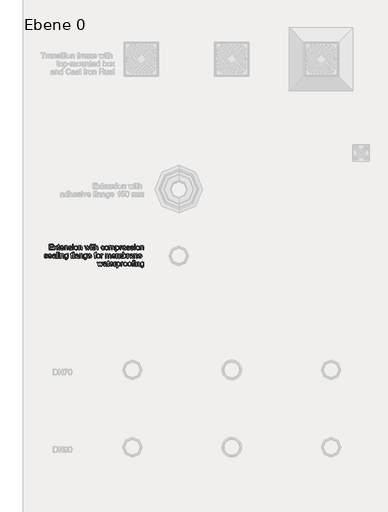
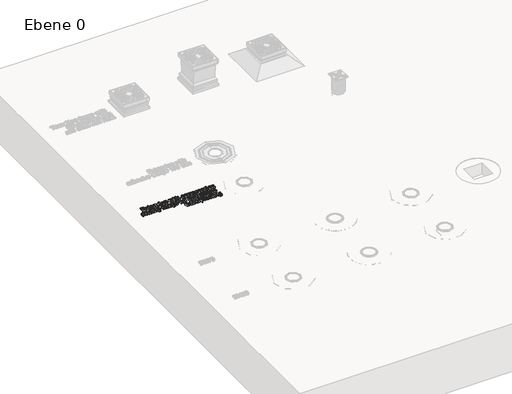
# One storey, part 6 of 12: 1 proxy.
"""IFC4 building model written with IfcOpenShell, lengths in millimetres."""

from ifc_helpers import new_model, si_unit, origin, origin_with_axes, place, context, project, spatial, polyline, outline, extrude, element, save

model = new_model("IFC4")

# Units and contexts
model_context = context("Model", 3, world=origin())
ifc_project = project(units=[si_unit("LENGTHUNIT", "METRE", prefix="MILLI")], contexts=[model_context])

# Site, building, storey
site = spatial("IfcSite", under=ifc_project)
building = spatial("IfcBuilding", under=site)
storey = spatial("IfcBuildingStorey", under=building, Name="Ebene 0", Elevation=0.0)

# Proxy
placement = place(None, origin())
element("IfcBuildingElementProxy", 1, Name="100mm ACO", ObjectType="100mm ACO", at=placement, inside=storey, context=model_context, shape_type="SweptSolid", body=[
    extrude(outline(polyline([(-29235.7557678, 20346.4491372), (-29273.0092809, 20346.4491372), (-29273.0092809, 20396.7413799), (-29236.6871056, 20396.7413799), (-29236.6871056, 20391.1533529), (-29266.4899161, 20391.1533529), (-29266.4899161, 20375.3206098), (-29238.5497813, 20375.3206098), (-29238.5497813, 20369.7325829), (-29266.4899161, 20369.7325829), (-29266.4899161, 20352.0371642), (-29235.7557678, 20352.0371642), (-29235.7557678, 20346.4491372)])), origin_with_axes(), (0.0, 0.0, 1.0), 20.0),
    extrude(outline(polyline([(-29197.5709169, 20346.4491372), (-29204.1484903, 20346.4491372), (-29214.34955, 20360.6520391), (-29224.492401, 20346.4491372), (-29231.0990787, 20346.4491372), (-29217.6528888, 20365.2650717), (-29230.1677409, 20382.7713125), (-29223.6047196, 20382.7713125), (-29214.34955, 20369.8635523), (-29205.1234846, 20382.7713125), (-29198.5022547, 20382.7713125), (-29211.0462111, 20365.2505196), (-29197.5709169, 20346.4491372)])), origin_with_axes(), (0.0, 0.0, 1.0), 20.0),
    extrude(outline(polyline([(-29178.9441604, 20345.9398118), (-29183.5135366, 20345.5177994), (-29189.3416741, 20346.9657387), (-29191.5754297, 20350.6401574), (-29191.98289, 20356.8393748), (-29191.98289, 20378.1146233), (-29196.6395791, 20378.1146233), (-29196.6395791, 20382.7713125), (-29191.98289, 20382.7713125), (-29191.98289, 20391.9973778), (-29185.4635252, 20395.810042), (-29185.4635252, 20382.7713125), (-29179.8754982, 20382.7713125), (-29179.8754982, 20378.1146233), (-29185.4635252, 20378.1146233), (-29185.4635252, 20355.529681), (-29184.9396476, 20351.3968694), (-29182.2766035, 20350.1744885), (-29179.7445288, 20350.1744885), (-29178.9441604, 20345.9398118)])), origin_with_axes(), (0.0, 0.0, 1.0), 20.0),
    extrude(outline(polyline([(-29141.6906473, 20363.2132181), (-29168.6994443, 20363.2132181), (-29165.2869643, 20353.5214838), (-29157.7125683, 20350.1744885), (-29151.8407744, 20352.0298881), (-29148.2100121, 20357.6251911), (-29141.6906473, 20356.8684791), (-29147.3805393, 20348.4573344), (-29157.7125683, 20345.5177994), (-29170.5839482, 20350.5601206), (-29175.2188091, 20364.3337339), (-29170.7512979, 20378.3329056), (-29165.3706392, 20382.3602141), (-29158.1636851, 20383.7026503), (-29150.5092523, 20381.9636679), (-29144.2591024, 20376.0409414), (-29141.6906473, 20363.2132181)]), holes=[polyline([(-29148.2100121, 20367.8699072), (-29151.6443203, 20376.4265735), (-29158.3237588, 20379.0459611), (-29165.454314, 20375.9318003), (-29168.6994443, 20367.8699072), (-29148.2100121, 20367.8699072)])]), origin_with_axes(), (0.0, 0.0, 1.0), 20.0),
    extrude(outline(polyline([(-29104.4371342, 20346.4491372), (-29110.956499, 20346.4491372), (-29110.956499, 20369.0631838), (-29112.8992115, 20376.9067946), (-29118.3053365, 20379.0459611), (-29123.3476577, 20377.6780587), (-29126.7237574, 20373.821738), (-29127.7205799, 20366.7784957), (-29127.7205799, 20346.4491372), (-29134.2399447, 20346.4491372), (-29134.2399447, 20382.7713125), (-29128.6519177, 20382.7713125), (-29128.6519177, 20377.7217152), (-29123.6750812, 20382.2110545), (-29117.0101949, 20383.7026503), (-29111.2911985, 20382.6694474), (-29106.8673439, 20379.5771148), (-29104.8518706, 20375.1823644), (-29104.4371342, 20368.8740058), (-29104.4371342, 20346.4491372)])), origin_with_axes(), (0.0, 0.0, 1.0), 20.0),
    extrude(outline(polyline([(-29074.6343237, 20372.5265964), (-29077.0427052, 20377.4161199), (-29082.6089039, 20379.0459611), (-29088.2987959, 20377.6489544), (-29090.4670668, 20373.5889036), (-29089.0336797, 20369.9945216), (-29082.2742044, 20368.0445331), (-29073.3610103, 20365.949023), (-29068.8134623, 20362.7693774), (-29067.1836211, 20357.0722093), (-29071.2291198, 20348.8575186), (-29082.0413699, 20345.5177994), (-29093.0500741, 20348.326365), (-29097.9177694, 20356.7375098), (-29091.3984046, 20357.6251911), (-29088.5825629, 20352.0298881), (-29082.0413699, 20350.1744885), (-29075.8567046, 20352.1026489), (-29073.7029859, 20356.7957184), (-29074.6707041, 20359.8007381), (-29077.0863616, 20361.496064), (-29083.9185977, 20362.9512793), (-29094.4470808, 20366.8803608), (-29096.9864316, 20373.2105476), (-29093.2246999, 20380.741287), (-29083.1036771, 20383.7026503), (-29072.6042983, 20381.112367), (-29068.114959, 20373.3560691), (-29074.6343237, 20372.5265964)])), origin_with_axes(), (0.0, 0.0, 1.0), 20.0),
    extrude(outline(polyline([(-29054.1448916, 20390.2220151), (-29060.6642563, 20390.2220151), (-29060.6642563, 20396.7413799), (-29054.1448916, 20396.7413799), (-29054.1448916, 20390.2220151)])), origin_with_axes(), (0.0, 0.0, 1.0), 20.0),
    extrude(outline(polyline([(-29054.1448916, 20346.4491372), (-29060.6642563, 20346.4491372), (-29060.6642563, 20382.7713125), (-29054.1448916, 20382.7713125), (-29054.1448916, 20346.4491372)])), origin_with_axes(), (0.0, 0.0, 1.0), 20.0),
    extrude(outline(polyline([(-29029.9446602, 20383.7026503), (-29017.9318574, 20378.8858875), (-29013.1660272, 20365.192311), (-29014.4557118, 20356.002626), (-29018.3247656, 20349.9707584), (-29029.9446602, 20345.5177994), (-29041.7100763, 20350.0944517), (-29045.4481608, 20356.0117211), (-29046.6941889, 20364.6102248), (-29041.8774261, 20378.9732004), (-29029.9446602, 20383.7026503)]), holes=[polyline([(-29029.9446602, 20350.1744885), (-29022.2975035, 20354.2127111), (-29019.685392, 20364.8430593), (-29022.6394791, 20375.4661314), (-29029.9446602, 20379.0459611), (-29037.3007738, 20375.4151988), (-29040.1748241, 20364.5956727), (-29037.2498413, 20353.8052508), (-29029.9446602, 20350.1744885)])]), origin_with_axes(), (0.0, 0.0, 1.0), 20.0),
    extrude(outline(polyline([(-28975.9125141, 20346.4491372), (-28982.4318789, 20346.4491372), (-28982.4318789, 20369.0631838), (-28984.3745914, 20376.9067946), (-28989.7807164, 20379.0459611), (-28994.8230376, 20377.6780587), (-28998.1991372, 20373.821738), (-28999.1959598, 20366.7784957), (-28999.1959598, 20346.4491372), (-29005.7153245, 20346.4491372), (-29005.7153245, 20382.7713125), (-29000.1272976, 20382.7713125), (-29000.1272976, 20377.7217152), (-28995.1504611, 20382.2110545), (-28988.4855747, 20383.7026503), (-28982.7665784, 20382.6694474), (-28978.3427237, 20379.5771148), (-28976.3272505, 20375.1823644), (-28975.9125141, 20368.8740058), (-28975.9125141, 20346.4491372)])), origin_with_axes(), (0.0, 0.0, 1.0), 20.0),
    extrude(outline(polyline([(-28902.1039913, 20382.7713125), (-28914.2695917, 20346.4491372), (-28920.4397048, 20346.4491372), (-28925.7221365, 20368.2773675), (-28926.3842595, 20371.2241786), (-28927.0172782, 20374.4474806), (-28933.4347779, 20346.4491372), (-28939.604891, 20346.4491372), (-28951.930565, 20382.7713125), (-28946.1242558, 20382.7713125), (-28937.2619943, 20353.9871527), (-28936.199687, 20358.8912285), (-28930.6407644, 20382.7713125), (-28923.3501355, 20382.7713125), (-28918.9408329, 20363.7225435), (-28916.8889793, 20354.772969), (-28907.9248527, 20382.7713125), (-28902.1039913, 20382.7713125)])), origin_with_axes(), (0.0, 0.0, 1.0), 20.0),
    extrude(outline(polyline([(-28890.229434, 20346.4491372), (-28896.7487988, 20346.4491372), (-28896.7487988, 20382.7713125), (-28890.229434, 20382.7713125), (-28890.229434, 20346.4491372)])), origin_with_axes(), (0.0, 0.0, 1.0), 20.0),
    extrude(outline(polyline([(-28890.229434, 20390.2220151), (-28896.7487988, 20390.2220151), (-28896.7487988, 20396.7413799), (-28890.229434, 20396.7413799), (-28890.229434, 20390.2220151)])), origin_with_axes(), (0.0, 0.0, 1.0), 20.0),
    extrude(outline(polyline([(-28866.9459883, 20345.9398118), (-28871.5153645, 20345.5177994), (-28877.343502, 20346.9657387), (-28879.5772576, 20350.6401574), (-28879.9847179, 20356.8393748), (-28879.9847179, 20378.1146233), (-28884.641407, 20378.1146233), (-28884.641407, 20382.7713125), (-28879.9847179, 20382.7713125), (-28879.9847179, 20391.9973778), (-28873.4653531, 20395.810042), (-28873.4653531, 20382.7713125), (-28867.8773261, 20382.7713125), (-28867.8773261, 20378.1146233), (-28873.4653531, 20378.1146233), (-28873.4653531, 20355.529681), (-28872.9414756, 20351.3968694), (-28870.2784315, 20350.1744885), (-28867.7463568, 20350.1744885), (-28866.9459883, 20345.9398118)])), origin_with_axes(), (0.0, 0.0, 1.0), 20.0),
    extrude(outline(polyline([(-28831.5551509, 20346.4491372), (-28838.0745157, 20346.4491372), (-28838.0745157, 20369.936313), (-28839.9299153, 20376.7685491), (-28845.4670097, 20379.0459611), (-28851.9718223, 20376.3610888), (-28854.8385966, 20366.7784957), (-28854.8385966, 20346.4491372), (-28861.3579614, 20346.4491372), (-28861.3579614, 20396.7413799), (-28854.8385966, 20396.7413799), (-28854.8385966, 20378.7258138), (-28843.9972422, 20383.7026503), (-28837.3178037, 20382.2619871), (-28832.8430165, 20377.8308563), (-28831.5551509, 20369.5288527), (-28831.5551509, 20346.4491372)])), origin_with_axes(), (0.0, 0.0, 1.0), 20.0),
    extrude(outline(polyline([(-28771.94953, 20358.7457069), (-28777.5812134, 20348.704721), (-28787.5494386, 20345.5177994), (-28800.1079471, 20350.7274703), (-28804.5463539, 20364.5374641), (-28802.0142792, 20375.9463524), (-28795.6768163, 20381.9636679), (-28787.6804079, 20383.7026503), (-28777.8940847, 20380.8577043), (-28772.8808678, 20372.4974921), (-28779.4002326, 20371.5952585), (-28782.3688719, 20377.1760094), (-28787.6076472, 20379.0459611), (-28795.3784972, 20375.2551251), (-28798.0269891, 20364.6684334), (-28795.3712211, 20353.9507724), (-28787.7095123, 20350.1744885), (-28781.3720494, 20352.5028331), (-28778.4688948, 20359.4878668), (-28771.94953, 20358.7457069)])), origin_with_axes(), (0.0, 0.0, 1.0), 20.0),
    extrude(outline(polyline([(-28753.3373256, 20383.7026503), (-28741.3245228, 20378.8858875), (-28736.5586925, 20365.192311), (-28737.8483771, 20356.002626), (-28741.717431, 20349.9707584), (-28753.3373256, 20345.5177994), (-28765.1027417, 20350.0944517), (-28768.8408262, 20356.0117211), (-28770.0868543, 20364.6102248), (-28765.2700915, 20378.9732004), (-28753.3373256, 20383.7026503)]), holes=[polyline([(-28753.3373256, 20350.1744885), (-28745.6901689, 20354.2127111), (-28743.0780573, 20364.8430593), (-28746.0321445, 20375.4661314), (-28753.3373256, 20379.0459611), (-28760.6934392, 20375.4151988), (-28763.5674895, 20364.5956727), (-28760.6425067, 20353.8052508), (-28753.3373256, 20350.1744885)])]), origin_with_axes(), (0.0, 0.0, 1.0), 20.0),
    extrude(outline(polyline([(-28680.6784229, 20346.4491372), (-28687.1977877, 20346.4491372), (-28687.1977877, 20369.936313), (-28687.5252112, 20374.3674438), (-28689.2278131, 20377.6271262), (-28693.5134223, 20379.0459611), (-28699.5525661, 20376.4556778), (-28702.0991929, 20368.0445331), (-28702.0991929, 20346.4491372), (-28708.6185577, 20346.4491372), (-28708.6185577, 20370.6348164), (-28710.2192946, 20377.2560463), (-28714.7595665, 20379.0459611), (-28721.060649, 20376.2446716), (-28723.519963, 20365.759845), (-28723.519963, 20346.4491372), (-28730.0393277, 20346.4491372), (-28730.0393277, 20382.7713125), (-28724.4513008, 20382.7713125), (-28724.4513008, 20377.7944759), (-28719.732765, 20382.2256067), (-28713.4207684, 20383.7026503), (-28706.7922625, 20382.1091895), (-28703.0305308, 20377.3142549), (-28698.2428722, 20382.1055514), (-28691.9126855, 20383.7026503), (-28683.4869885, 20380.646698), (-28680.6784229, 20371.4788413), (-28680.6784229, 20346.4491372)])), origin_with_axes(), (0.0, 0.0, 1.0), 20.0),
    extrude(outline(polyline([(-28664.7801952, 20378.3911142), (-28654.6591724, 20383.7026503), (-28643.7159529, 20378.4929793), (-28639.6995585, 20364.9158201), (-28644.2398304, 20350.7638507), (-28655.38678, 20345.5177994), (-28664.671054, 20349.7961325), (-28664.8456799, 20332.4790698), (-28671.3650446, 20332.4790698), (-28671.3650446, 20382.7713125), (-28664.8456799, 20382.7713125), (-28664.7801952, 20378.3911142)]), holes=[polyline([(-28656.0998356, 20350.1744885), (-28649.0202129, 20353.8489073), (-28646.2189233, 20364.7994028), (-28648.9183478, 20375.3569902), (-28655.8233447, 20379.0459611), (-28662.9757281, 20374.9349778), (-28665.7770177, 20364.2755253), (-28663.0921453, 20353.7615944), (-28656.0998356, 20350.1744885)])]), origin_with_axes(), (0.0, 0.0, 1.0), 20.0),
    extrude(outline(polyline([(-28612.6907615, 20382.2765392), (-28614.728063, 20378.1146233), (-28619.0063962, 20379.0459611), (-28624.0268892, 20375.7717266), (-28625.7294911, 20366.6038699), (-28625.7294911, 20346.4491372), (-28632.2488559, 20346.4491372), (-28632.2488559, 20382.7713125), (-28626.6608289, 20382.7713125), (-28626.6608289, 20377.3870156), (-28618.9336354, 20383.7026503), (-28612.6907615, 20382.2765392)])), origin_with_axes(), (0.0, 0.0, 1.0), 20.0),
    extrude(outline(polyline([(-28577.2999241, 20363.2132181), (-28604.3087211, 20363.2132181), (-28600.8962411, 20353.5214838), (-28593.3218452, 20350.1744885), (-28587.4500512, 20352.0298881), (-28583.8192889, 20357.6251911), (-28577.2999241, 20356.8684791), (-28582.9898161, 20348.4573344), (-28593.3218452, 20345.5177994), (-28606.193225, 20350.5601206), (-28610.8280859, 20364.3337339), (-28606.3605747, 20378.3329056), (-28600.979916, 20382.3602141), (-28593.7729619, 20383.7026503), (-28586.1185292, 20381.9636679), (-28579.8683792, 20376.0409414), (-28577.2999241, 20363.2132181)]), holes=[polyline([(-28583.8192889, 20367.8699072), (-28587.2535971, 20376.4265735), (-28593.9330356, 20379.0459611), (-28601.0635909, 20375.9318003), (-28604.3087211, 20367.8699072), (-28583.8192889, 20367.8699072)])]), origin_with_axes(), (0.0, 0.0, 1.0), 20.0),
    extrude(outline(polyline([(-28549.3597893, 20372.5265964), (-28551.7681707, 20377.4161199), (-28557.3343694, 20379.0459611), (-28563.0242615, 20377.6489544), (-28565.1925324, 20373.5889036), (-28563.7591452, 20369.9945216), (-28556.9996699, 20368.0445331), (-28548.0864759, 20365.949023), (-28543.5389279, 20362.7693774), (-28541.9090867, 20357.0722093), (-28545.9545854, 20348.8575186), (-28556.7668355, 20345.5177994), (-28567.7755396, 20348.326365), (-28572.643235, 20356.7375098), (-28566.1238702, 20357.6251911), (-28563.3080285, 20352.0298881), (-28556.7668355, 20350.1744885), (-28550.5821702, 20352.1026489), (-28548.4284515, 20356.7957184), (-28549.3961697, 20359.8007381), (-28551.8118272, 20361.496064), (-28558.6440633, 20362.9512793), (-28569.1725464, 20366.8803608), (-28571.7118971, 20373.2105476), (-28567.9501655, 20380.741287), (-28557.8291427, 20383.7026503), (-28547.3297639, 20381.112367), (-28542.8404245, 20373.3560691), (-28549.3597893, 20372.5265964)])), origin_with_axes(), (0.0, 0.0, 1.0), 20.0),
    extrude(outline(polyline([(-28514.9002897, 20372.5265964), (-28517.3086711, 20377.4161199), (-28522.8748698, 20379.0459611), (-28528.5647619, 20377.6489544), (-28530.7330328, 20373.5889036), (-28529.2996456, 20369.9945216), (-28522.5401703, 20368.0445331), (-28513.6269763, 20365.949023), (-28509.0794283, 20362.7693774), (-28507.4495871, 20357.0722093), (-28511.4950858, 20348.8575186), (-28522.3073359, 20345.5177994), (-28533.31604, 20348.326365), (-28538.1837354, 20356.7375098), (-28531.6643706, 20357.6251911), (-28528.8485289, 20352.0298881), (-28522.3073359, 20350.1744885), (-28516.1226706, 20352.1026489), (-28513.9689519, 20356.7957184), (-28514.9366701, 20359.8007381), (-28517.3523276, 20361.496064), (-28524.1845637, 20362.9512793), (-28534.7130468, 20366.8803608), (-28537.2523975, 20373.2105476), (-28533.4906659, 20380.741287), (-28523.3696431, 20383.7026503), (-28512.8702643, 20381.112367), (-28508.3809249, 20373.3560691), (-28514.9002897, 20372.5265964)])), origin_with_axes(), (0.0, 0.0, 1.0), 20.0),
    extrude(outline(polyline([(-28494.4108575, 20346.4491372), (-28500.9302223, 20346.4491372), (-28500.9302223, 20382.7713125), (-28494.4108575, 20382.7713125), (-28494.4108575, 20346.4491372)])), origin_with_axes(), (0.0, 0.0, 1.0), 20.0),
    extrude(outline(polyline([(-28494.4108575, 20390.2220151), (-28500.9302223, 20390.2220151), (-28500.9302223, 20396.7413799), (-28494.4108575, 20396.7413799), (-28494.4108575, 20390.2220151)])), origin_with_axes(), (0.0, 0.0, 1.0), 20.0),
    extrude(outline(polyline([(-28470.2106262, 20383.7026503), (-28458.1978234, 20378.8858875), (-28453.4319931, 20365.192311), (-28454.7216777, 20356.002626), (-28458.5907315, 20349.9707584), (-28470.2106262, 20345.5177994), (-28481.9760423, 20350.0944517), (-28485.7141267, 20356.0117211), (-28486.9601549, 20364.6102248), (-28482.1433921, 20378.9732004), (-28470.2106262, 20383.7026503)]), holes=[polyline([(-28470.2106262, 20350.1744885), (-28462.5634695, 20354.2127111), (-28459.9513579, 20364.8430593), (-28462.9054451, 20375.4661314), (-28470.2106262, 20379.0459611), (-28477.5667398, 20375.4151988), (-28480.4407901, 20364.5956727), (-28477.5158072, 20353.8052508), (-28470.2106262, 20350.1744885)])]), origin_with_axes(), (0.0, 0.0, 1.0), 20.0),
    extrude(outline(polyline([(-28416.17848, 20346.4491372), (-28422.6978448, 20346.4491372), (-28422.6978448, 20369.0631838), (-28424.6405573, 20376.9067946), (-28430.0466824, 20379.0459611), (-28435.0890036, 20377.6780587), (-28438.4651032, 20373.821738), (-28439.4619257, 20366.7784957), (-28439.4619257, 20346.4491372), (-28445.9812905, 20346.4491372), (-28445.9812905, 20382.7713125), (-28440.3932635, 20382.7713125), (-28440.3932635, 20377.7217152), (-28435.416427, 20382.2110545), (-28428.7515407, 20383.7026503), (-28423.0325444, 20382.6694474), (-28418.6086897, 20379.5771148), (-28416.5932164, 20375.1823644), (-28416.17848, 20368.8740058), (-28416.17848, 20346.4491372)])), origin_with_axes(), (0.0, 0.0, 1.0), 20.0),
    extrude(outline(polyline([(-29295.3613888, 20299.2431507), (-29297.7697702, 20304.1326743), (-29303.3359689, 20305.7625155), (-29309.0258609, 20304.3655087), (-29311.1941318, 20300.3054579), (-29309.7607447, 20296.711076), (-29303.0012694, 20294.7610874), (-29294.0880753, 20292.6655773), (-29289.5405273, 20289.4859317), (-29287.9106861, 20283.7887636), (-29291.9561848, 20275.5740729), (-29302.7684349, 20272.2343537), (-29313.7771391, 20275.0429193), (-29318.6448344, 20283.4540641), (-29312.1254696, 20284.3417454), (-29309.3096279, 20278.7464424), (-29302.7684349, 20276.8910428), (-29296.5837697, 20278.8192032), (-29294.4300509, 20283.5122727), (-29295.3977691, 20286.5172924), (-29297.8134266, 20288.2126183), (-29304.6456627, 20289.6678336), (-29315.1741458, 20293.5969151), (-29317.7134966, 20299.9271019), (-29313.9517649, 20307.4578414), (-29303.8307421, 20310.4192046), (-29293.3313633, 20307.8289213), (-29288.842024, 20300.0726234), (-29295.3613888, 20299.2431507)])), origin_with_axes(), (0.0, 0.0, 1.0), 20.0),
    extrude(outline(polyline([(-29249.7258352, 20289.9297724), (-29276.7346322, 20289.9297724), (-29273.3221522, 20280.2380381), (-29265.7477563, 20276.8910428), (-29259.8759623, 20278.7464424), (-29256.2452, 20284.3417454), (-29249.7258352, 20283.5850335), (-29255.4157273, 20275.1738887), (-29265.7477563, 20272.2343537), (-29278.6191361, 20277.2766749), (-29283.253997, 20291.0502882), (-29278.7864859, 20305.0494599), (-29273.4058271, 20309.0767684), (-29266.198873, 20310.4192046), (-29258.5444403, 20308.6802223), (-29252.2942903, 20302.7574958), (-29249.7258352, 20289.9297724)]), holes=[polyline([(-29256.2452, 20294.5864615), (-29259.6795083, 20303.1431278), (-29266.3589467, 20305.7625155), (-29273.489502, 20302.6483546), (-29276.7346322, 20294.5864615), (-29256.2452, 20294.5864615)])]), origin_with_axes(), (0.0, 0.0, 1.0), 20.0),
    extrude(outline(polyline([(-29210.6096465, 20273.1656915), (-29217.1290113, 20273.1656915), (-29218.9916869, 20277.5604419), (-29232.0449687, 20272.2343537), (-29240.8999541, 20275.1447844), (-29244.1378083, 20282.8283215), (-29240.9654388, 20290.3736131), (-29229.9494586, 20294.2954185), (-29224.2450144, 20295.1685477), (-29218.9916869, 20296.4491372), (-29219.1590367, 20300.4873598), (-29220.134031, 20302.9393977), (-29222.7315904, 20304.9839753), (-29227.5483532, 20305.7625155), (-29233.6238773, 20304.1836068), (-29236.6871056, 20298.3118129), (-29243.2064704, 20299.1121813), (-29238.0622842, 20307.5815347), (-29226.6606719, 20310.4192046), (-29216.9762137, 20308.4764921), (-29213.1781016, 20303.7906987), (-29212.4723221, 20296.7256281), (-29212.4723221, 20288.4163484), (-29212.1958312, 20278.229841), (-29210.6096465, 20273.1656915)]), holes=[polyline([(-29218.9916869, 20289.4641035), (-29218.9916869, 20291.7924481), (-29230.6988945, 20289.1148518), (-29235.8885562, 20287.0739123), (-29237.6184435, 20282.9301866), (-29235.7557678, 20278.5936448), (-29230.3860232, 20276.8910428), (-29222.4332712, 20279.7432649), (-29218.9916869, 20289.4641035)])]), origin_with_axes(), (0.0, 0.0, 1.0), 20.0),
    extrude(outline(polyline([(-29196.6395791, 20273.1656915), (-29203.1589439, 20273.1656915), (-29203.1589439, 20323.4579342), (-29196.6395791, 20323.4579342), (-29196.6395791, 20273.1656915)])), origin_with_axes(), (0.0, 0.0, 1.0), 20.0),
    extrude(outline(polyline([(-29180.806836, 20273.1656915), (-29187.3262008, 20273.1656915), (-29187.3262008, 20309.4878668), (-29180.806836, 20309.4878668), (-29180.806836, 20273.1656915)])), origin_with_axes(), (0.0, 0.0, 1.0), 20.0),
    extrude(outline(polyline([(-29180.806836, 20316.9385694), (-29187.3262008, 20316.9385694), (-29187.3262008, 20323.4579342), (-29180.806836, 20323.4579342), (-29180.806836, 20316.9385694)])), origin_with_axes(), (0.0, 0.0, 1.0), 20.0),
    extrude(outline(polyline([(-29141.6906473, 20273.1656915), (-29148.2100121, 20273.1656915), (-29148.2100121, 20295.7797381), (-29150.1527246, 20303.6233489), (-29155.5588496, 20305.7625155), (-29160.6011708, 20304.394613), (-29163.9772704, 20300.5382923), (-29164.974093, 20293.49505), (-29164.974093, 20273.1656915), (-29171.4934578, 20273.1656915), (-29171.4934578, 20309.4878668), (-29165.9054308, 20309.4878668), (-29165.9054308, 20304.4382695), (-29160.9285943, 20308.9276089), (-29154.263708, 20310.4192046), (-29148.5447116, 20309.3860017), (-29144.1208569, 20306.2936691), (-29142.1053837, 20301.8989187), (-29141.6906473, 20295.5905601), (-29141.6906473, 20273.1656915)])), origin_with_axes(), (0.0, 0.0, 1.0), 20.0),
    extrude(outline(polyline([(-29102.5744586, 20278.520884), (-29104.1097108, 20267.1338239), (-29109.5740444, 20261.2838582), (-29118.9601835, 20259.1956241), (-29129.2121756, 20262.026018), (-29133.3086068, 20271.3030159), (-29126.7892421, 20270.269813), (-29124.4900018, 20265.4603262), (-29118.8583184, 20263.8523133), (-29112.1643277, 20265.7077128), (-29109.5667683, 20270.2261565), (-29109.0938233, 20277.5749941), (-29118.9456313, 20273.1656915), (-29130.0489245, 20278.419019), (-29134.2399447, 20291.6760308), (-29130.2526546, 20305.0640121), (-29119.2221222, 20310.4192046), (-29109.2247927, 20305.6315461), (-29109.0938233, 20309.4878668), (-29102.5744586, 20309.4878668), (-29102.5744586, 20278.520884)]), holes=[polyline([(-29117.970637, 20277.8223807), (-29111.145677, 20281.0529587), (-29108.1624855, 20291.879761), (-29111.0074315, 20302.1754096), (-29118.0433978, 20305.7625155), (-29125.0211554, 20302.0880967), (-29127.7205799, 20292.0252825), (-29124.890186, 20281.2275846), (-29117.970637, 20277.8223807)])]), origin_with_axes(), (0.0, 0.0, 1.0), 20.0),
    extrude(outline(polyline([(-29056.938905, 20323.9090509), (-29057.7392735, 20319.7325829), (-29060.911643, 20319.7325829), (-29064.0840124, 20318.6629996), (-29065.3209455, 20313.3732918), (-29065.3209455, 20309.4878668), (-29059.7329185, 20309.4878668), (-29059.7329185, 20304.8311776), (-29065.3209455, 20304.8311776), (-29065.3209455, 20273.1656915), (-29071.8403103, 20273.1656915), (-29071.8403103, 20304.8311776), (-29077.4283372, 20304.8311776), (-29077.4283372, 20309.4878668), (-29071.8403103, 20309.4878668), (-29071.8403103, 20313.4751569), (-29071.3528131, 20318.4956498), (-29068.784358, 20322.5702528), (-29062.3668583, 20324.389272), (-29056.938905, 20323.9090509)])), origin_with_axes(), (0.0, 0.0, 1.0), 20.0),
    extrude(outline(polyline([(-29047.6255268, 20273.1656915), (-29054.1448916, 20273.1656915), (-29054.1448916, 20323.4579342), (-29047.6255268, 20323.4579342), (-29047.6255268, 20273.1656915)])), origin_with_axes(), (0.0, 0.0, 1.0), 20.0),
    extrude(outline(polyline([(-29006.6466624, 20273.1656915), (-29013.1660272, 20273.1656915), (-29015.0287028, 20277.5604419), (-29028.0819845, 20272.2343537), (-29036.93697, 20275.1447844), (-29040.1748241, 20282.8283215), (-29037.0024547, 20290.3736131), (-29025.9864744, 20294.2954185), (-29020.2820302, 20295.1685477), (-29015.0287028, 20296.4491372), (-29015.1960526, 20300.4873598), (-29016.1710469, 20302.9393977), (-29018.7686063, 20304.9839753), (-29023.5853691, 20305.7625155), (-29029.6608932, 20304.1836068), (-29032.7241215, 20298.3118129), (-29039.2434863, 20299.1121813), (-29034.0993, 20307.5815347), (-29022.6976877, 20310.4192046), (-29013.0132295, 20308.4764921), (-29009.2151175, 20303.7906987), (-29008.509338, 20296.7256281), (-29008.509338, 20288.4163484), (-29008.2328471, 20278.229841), (-29006.6466624, 20273.1656915)]), holes=[polyline([(-29015.0287028, 20289.4641035), (-29015.0287028, 20291.7924481), (-29026.7359103, 20289.1148518), (-29031.9255721, 20287.0739123), (-29033.6554594, 20282.9301866), (-29031.7927837, 20278.5936448), (-29026.423039, 20276.8910428), (-29018.4702871, 20279.7432649), (-29015.0287028, 20289.4641035)])]), origin_with_axes(), (0.0, 0.0, 1.0), 20.0),
    extrude(outline(polyline([(-28969.3931493, 20273.1656915), (-28975.9125141, 20273.1656915), (-28975.9125141, 20295.7797381), (-28977.8552266, 20303.6233489), (-28983.2613516, 20305.7625155), (-28988.3036728, 20304.394613), (-28991.6797724, 20300.5382923), (-28992.676595, 20293.49505), (-28992.676595, 20273.1656915), (-28999.1959598, 20273.1656915), (-28999.1959598, 20309.4878668), (-28993.6079328, 20309.4878668), (-28993.6079328, 20304.4382695), (-28988.6310963, 20308.9276089), (-28981.96621, 20310.4192046), (-28976.2472136, 20309.3860017), (-28971.8233589, 20306.2936691), (-28969.8078857, 20301.8989187), (-28969.3931493, 20295.5905601), (-28969.3931493, 20273.1656915)])), origin_with_axes(), (0.0, 0.0, 1.0), 20.0),
    extrude(outline(polyline([(-28930.2769606, 20278.520884), (-28931.8122128, 20267.1338239), (-28937.2765464, 20261.2838582), (-28946.6626855, 20259.1956241), (-28956.9146776, 20262.026018), (-28961.0111088, 20271.3030159), (-28954.4917441, 20270.269813), (-28952.1925038, 20265.4603262), (-28946.5608204, 20263.8523133), (-28939.8668297, 20265.7077128), (-28937.2692703, 20270.2261565), (-28936.7963253, 20277.5749941), (-28946.6481333, 20273.1656915), (-28957.7514265, 20278.419019), (-28961.9424467, 20291.6760308), (-28957.9551566, 20305.0640121), (-28946.9246242, 20310.4192046), (-28936.9272947, 20305.6315461), (-28936.7963253, 20309.4878668), (-28930.2769606, 20309.4878668), (-28930.2769606, 20278.520884)]), holes=[polyline([(-28945.673139, 20277.8223807), (-28938.848179, 20281.0529587), (-28935.8649875, 20291.879761), (-28938.7099335, 20302.1754096), (-28945.7458998, 20305.7625155), (-28952.7236574, 20302.0880967), (-28955.4230819, 20292.0252825), (-28952.592688, 20281.2275846), (-28945.673139, 20277.8223807)])]), origin_with_axes(), (0.0, 0.0, 1.0), 20.0),
    extrude(outline(polyline([(-28889.2980962, 20289.9297724), (-28916.3068932, 20289.9297724), (-28912.8944131, 20280.2380381), (-28905.3200172, 20276.8910428), (-28899.4482233, 20278.7464424), (-28895.817461, 20284.3417454), (-28889.2980962, 20283.5850335), (-28894.9879882, 20275.1738887), (-28905.3200172, 20272.2343537), (-28918.191397, 20277.2766749), (-28922.8262579, 20291.0502882), (-28918.3587468, 20305.0494599), (-28912.978088, 20309.0767684), (-28905.771134, 20310.4192046), (-28898.1167012, 20308.6802223), (-28891.8665513, 20302.7574958), (-28889.2980962, 20289.9297724)]), holes=[polyline([(-28895.817461, 20294.5864615), (-28899.2517692, 20303.1431278), (-28905.9312077, 20305.7625155), (-28913.0617629, 20302.6483546), (-28916.3068932, 20294.5864615), (-28895.817461, 20294.5864615)])]), origin_with_axes(), (0.0, 0.0, 1.0), 20.0),
    extrude(outline(polyline([(-28845.5252183, 20323.9090509), (-28846.3255867, 20319.7325829), (-28849.4979562, 20319.7325829), (-28852.6703257, 20318.6629996), (-28853.9072587, 20313.3732918), (-28853.9072587, 20309.4878668), (-28848.3192318, 20309.4878668), (-28848.3192318, 20304.8311776), (-28853.9072587, 20304.8311776), (-28853.9072587, 20273.1656915), (-28860.4266235, 20273.1656915), (-28860.4266235, 20304.8311776), (-28866.0146505, 20304.8311776), (-28866.0146505, 20309.4878668), (-28860.4266235, 20309.4878668), (-28860.4266235, 20313.4751569), (-28859.9391264, 20318.4956498), (-28857.3706713, 20322.5702528), (-28850.9531716, 20324.389272), (-28845.5252183, 20323.9090509)])), origin_with_axes(), (0.0, 0.0, 1.0), 20.0),
    extrude(outline(polyline([(-28827.8443517, 20310.4192046), (-28815.831549, 20305.6024418), (-28811.0657187, 20291.9088653), (-28812.3554033, 20282.7191803), (-28816.2244571, 20276.6873127), (-28827.8443517, 20272.2343537), (-28839.6097679, 20276.811006), (-28843.3478523, 20282.7282754), (-28844.5938805, 20291.3267792), (-28839.7771176, 20305.6897547), (-28827.8443517, 20310.4192046)]), holes=[polyline([(-28827.8443517, 20276.8910428), (-28820.197195, 20280.9292654), (-28817.5850835, 20291.5596136), (-28820.5391707, 20302.1826857), (-28827.8443517, 20305.7625155), (-28835.2004654, 20302.1317532), (-28838.0745157, 20291.312227), (-28835.1495328, 20280.5218051), (-28827.8443517, 20276.8910428)])]), origin_with_axes(), (0.0, 0.0, 1.0), 20.0),
    extrude(outline(polyline([(-28784.0569217, 20308.9930936), (-28786.0942232, 20304.8311776), (-28790.3725564, 20305.7625155), (-28795.3930493, 20302.4882809), (-28797.0956513, 20293.3204242), (-28797.0956513, 20273.1656915), (-28803.6150161, 20273.1656915), (-28803.6150161, 20309.4878668), (-28798.0269891, 20309.4878668), (-28798.0269891, 20304.10357), (-28790.2997956, 20310.4192046), (-28784.0569217, 20308.9930936)])), origin_with_axes(), (0.0, 0.0, 1.0), 20.0),
    extrude(outline(polyline([(-28712.343909, 20273.1656915), (-28718.8632738, 20273.1656915), (-28718.8632738, 20296.6528674), (-28719.1906973, 20301.0839981), (-28720.8932992, 20304.3436805), (-28725.1789085, 20305.7625155), (-28731.2180522, 20303.1722321), (-28733.7646791, 20294.7610874), (-28733.7646791, 20273.1656915), (-28740.2840438, 20273.1656915), (-28740.2840438, 20297.3513707), (-28741.8847807, 20303.9726006), (-28746.4250526, 20305.7625155), (-28752.7261351, 20302.9612259), (-28755.1854491, 20292.4763993), (-28755.1854491, 20273.1656915), (-28761.7048139, 20273.1656915), (-28761.7048139, 20309.4878668), (-28756.1167869, 20309.4878668), (-28756.1167869, 20304.5110303), (-28751.3982511, 20308.942161), (-28745.0862545, 20310.4192046), (-28738.4577486, 20308.8257438), (-28734.6960169, 20304.0308092), (-28729.9083584, 20308.8221058), (-28723.5781716, 20310.4192046), (-28715.1524747, 20307.3632524), (-28712.343909, 20298.1953956), (-28712.343909, 20273.1656915)])), origin_with_axes(), (0.0, 0.0, 1.0), 20.0),
    extrude(outline(polyline([(-28671.3650446, 20289.9297724), (-28698.3738416, 20289.9297724), (-28694.9613616, 20280.2380381), (-28687.3869657, 20276.8910428), (-28681.5151717, 20278.7464424), (-28677.8844094, 20284.3417454), (-28671.3650446, 20283.5850335), (-28677.0549367, 20275.1738887), (-28687.3869657, 20272.2343537), (-28700.2583455, 20277.2766749), (-28704.8932064, 20291.0502882), (-28700.4256953, 20305.0494599), (-28695.0450365, 20309.0767684), (-28687.8380825, 20310.4192046), (-28680.1836497, 20308.6802223), (-28673.9334997, 20302.7574958), (-28671.3650446, 20289.9297724)]), holes=[polyline([(-28677.8844094, 20294.5864615), (-28681.3187177, 20303.1431278), (-28687.9981561, 20305.7625155), (-28695.1287114, 20302.6483546), (-28698.3738416, 20294.5864615), (-28677.8844094, 20294.5864615)])]), origin_with_axes(), (0.0, 0.0, 1.0), 20.0),
    extrude(outline(polyline([(-28615.484775, 20273.1656915), (-28622.0041398, 20273.1656915), (-28622.0041398, 20296.6528674), (-28622.3315633, 20301.0839981), (-28624.0341652, 20304.3436805), (-28628.3197744, 20305.7625155), (-28634.3589182, 20303.1722321), (-28636.905545, 20294.7610874), (-28636.905545, 20273.1656915), (-28643.4249098, 20273.1656915), (-28643.4249098, 20297.3513707), (-28645.0256467, 20303.9726006), (-28649.5659186, 20305.7625155), (-28655.8670011, 20302.9612259), (-28658.3263151, 20292.4763993), (-28658.3263151, 20273.1656915), (-28664.8456799, 20273.1656915), (-28664.8456799, 20309.4878668), (-28659.2576529, 20309.4878668), (-28659.2576529, 20304.5110303), (-28654.5391171, 20308.942161), (-28648.2271205, 20310.4192046), (-28641.5986146, 20308.8257438), (-28637.8368829, 20304.0308092), (-28633.0492244, 20308.8221058), (-28626.7190376, 20310.4192046), (-28618.2933407, 20307.3632524), (-28615.484775, 20298.1953956), (-28615.484775, 20273.1656915)])), origin_with_axes(), (0.0, 0.0, 1.0), 20.0),
    extrude(outline(polyline([(-28599.564719, 20305.8934849), (-28589.7856719, 20310.4192046), (-28578.6751026, 20305.2968466), (-28574.5059106, 20291.9088653), (-28579.089839, 20277.3057792), (-28589.8147762, 20272.2343537), (-28599.5210626, 20277.2111902), (-28599.652032, 20273.1656915), (-28606.1713967, 20273.1656915), (-28606.1713967, 20323.4579342), (-28599.652032, 20323.4579342), (-28599.564719, 20305.8934849)]), holes=[polyline([(-28590.4259666, 20276.8910428), (-28583.6810434, 20280.696431), (-28581.0252754, 20291.3849878), (-28583.4700372, 20301.8843666), (-28590.2222365, 20305.7625155), (-28597.0617486, 20301.7606732), (-28599.652032, 20291.6323744), (-28598.5751726, 20283.1048124), (-28595.3300424, 20278.7318903), (-28590.4259666, 20276.8910428)])]), origin_with_axes(), (0.0, 0.0, 1.0), 20.0),
    extrude(outline(polyline([(-28547.4971136, 20308.9930936), (-28549.5344151, 20304.8311776), (-28553.8127483, 20305.7625155), (-28558.8332413, 20302.4882809), (-28560.5358432, 20293.3204242), (-28560.5358432, 20273.1656915), (-28567.055208, 20273.1656915), (-28567.055208, 20309.4878668), (-28561.4671811, 20309.4878668), (-28561.4671811, 20304.10357), (-28553.7399875, 20310.4192046), (-28547.4971136, 20308.9930936)])), origin_with_axes(), (0.0, 0.0, 1.0), 20.0),
    extrude(outline(polyline([(-28512.1062762, 20273.1656915), (-28518.625641, 20273.1656915), (-28520.4883167, 20277.5604419), (-28533.5415984, 20272.2343537), (-28542.3965838, 20275.1447844), (-28545.634438, 20282.8283215), (-28542.4620685, 20290.3736131), (-28531.4460883, 20294.2954185), (-28525.7416441, 20295.1685477), (-28520.4883167, 20296.4491372), (-28520.6556664, 20300.4873598), (-28521.6306607, 20302.9393977), (-28524.2282201, 20304.9839753), (-28529.0449829, 20305.7625155), (-28535.1205071, 20304.1836068), (-28538.1837354, 20298.3118129), (-28544.7031002, 20299.1121813), (-28539.5589139, 20307.5815347), (-28528.1573016, 20310.4192046), (-28518.4728434, 20308.4764921), (-28514.6747313, 20303.7906987), (-28513.9689519, 20296.7256281), (-28513.9689519, 20288.4163484), (-28513.692461, 20278.229841), (-28512.1062762, 20273.1656915)]), holes=[polyline([(-28520.4883167, 20289.4641035), (-28520.4883167, 20291.7924481), (-28532.1955242, 20289.1148518), (-28537.385186, 20287.0739123), (-28539.1150732, 20282.9301866), (-28537.2523975, 20278.5936448), (-28531.8826529, 20276.8910428), (-28523.929901, 20279.7432649), (-28520.4883167, 20289.4641035)])]), origin_with_axes(), (0.0, 0.0, 1.0), 20.0),
    extrude(outline(polyline([(-28474.8527631, 20273.1656915), (-28481.3721279, 20273.1656915), (-28481.3721279, 20295.7797381), (-28483.3148404, 20303.6233489), (-28488.7209655, 20305.7625155), (-28493.7632867, 20304.394613), (-28497.1393863, 20300.5382923), (-28498.1362088, 20293.49505), (-28498.1362088, 20273.1656915), (-28504.6555736, 20273.1656915), (-28504.6555736, 20309.4878668), (-28499.0675466, 20309.4878668), (-28499.0675466, 20304.4382695), (-28494.0907101, 20308.9276089), (-28487.4258238, 20310.4192046), (-28481.7068275, 20309.3860017), (-28477.2829728, 20306.2936691), (-28475.2674995, 20301.8989187), (-28474.8527631, 20295.5905601), (-28474.8527631, 20273.1656915)])), origin_with_axes(), (0.0, 0.0, 1.0), 20.0),
    extrude(outline(polyline([(-28433.8738987, 20289.9297724), (-28460.8826957, 20289.9297724), (-28457.4702157, 20280.2380381), (-28449.8958198, 20276.8910428), (-28444.0240258, 20278.7464424), (-28440.3932635, 20284.3417454), (-28433.8738987, 20283.5850335), (-28439.5637908, 20275.1738887), (-28449.8958198, 20272.2343537), (-28462.7671996, 20277.2766749), (-28467.4020605, 20291.0502882), (-28462.9345494, 20305.0494599), (-28457.5538906, 20309.0767684), (-28450.3469366, 20310.4192046), (-28442.6925038, 20308.6802223), (-28436.4423538, 20302.7574958), (-28433.8738987, 20289.9297724)]), holes=[polyline([(-28440.3932635, 20294.5864615), (-28443.8275718, 20303.1431278), (-28450.5070103, 20305.7625155), (-28457.6375655, 20302.6483546), (-28460.8826957, 20294.5864615), (-28440.3932635, 20294.5864615)])]), origin_with_axes(), (0.0, 0.0, 1.0), 20.0),
    extrude(outline(polyline([(-28787.5494386, 20236.2044211), (-28799.7150389, 20199.8822458), (-28805.885152, 20199.8822458), (-28811.1675838, 20221.7104762), (-28811.8297068, 20224.6572873), (-28812.4627254, 20227.8805893), (-28818.8802252, 20199.8822458), (-28825.0503383, 20199.8822458), (-28837.3760123, 20236.2044211), (-28831.569703, 20236.2044211), (-28822.7074415, 20207.4202614), (-28821.6451343, 20212.3243371), (-28816.0862117, 20236.2044211), (-28808.7955827, 20236.2044211), (-28804.3862802, 20217.1556521), (-28802.3344266, 20208.2060777), (-28793.3703, 20236.2044211), (-28787.5494386, 20236.2044211)])), origin_with_axes(), (0.0, 0.0, 1.0), 20.0),
    extrude(outline(polyline([(-28750.5287599, 20199.8822458), (-28757.0481247, 20199.8822458), (-28758.9108004, 20204.2769962), (-28771.9640821, 20198.950908), (-28780.8190675, 20201.8613387), (-28784.0569217, 20209.5448758), (-28780.8845522, 20217.0901674), (-28769.868572, 20221.0119728), (-28764.1641278, 20221.885102), (-28758.9108004, 20223.1656915), (-28759.0781501, 20227.2039141), (-28760.0531444, 20229.655952), (-28762.6507038, 20231.7005296), (-28767.4674667, 20232.4790698), (-28773.5429908, 20230.9001611), (-28776.6062191, 20225.0283672), (-28783.1255839, 20225.8287356), (-28777.9813976, 20234.298089), (-28766.5797853, 20237.1357589), (-28756.8953271, 20235.1930464), (-28753.097215, 20230.507253), (-28752.3914356, 20223.4421824), (-28752.3914356, 20215.1329028), (-28752.1149447, 20204.9463953), (-28750.5287599, 20199.8822458)]), holes=[polyline([(-28758.9108004, 20216.1806578), (-28758.9108004, 20218.5090024), (-28770.6180079, 20215.8314061), (-28775.8076697, 20213.7904666), (-28777.5375569, 20209.6467409), (-28775.6748813, 20205.3101991), (-28770.3051366, 20203.6075972), (-28762.3523847, 20206.4598193), (-28758.9108004, 20216.1806578)])]), origin_with_axes(), (0.0, 0.0, 1.0), 20.0),
    extrude(outline(polyline([(-28729.1079899, 20199.3729205), (-28733.6773661, 20198.950908), (-28739.5055036, 20200.3988473), (-28741.7392592, 20204.0732661), (-28742.1467195, 20210.2724835), (-28742.1467195, 20231.547732), (-28746.8034086, 20231.547732), (-28746.8034086, 20236.2044211), (-28742.1467195, 20236.2044211), (-28742.1467195, 20245.4304865), (-28735.6273547, 20249.2431507), (-28735.6273547, 20236.2044211), (-28730.0393277, 20236.2044211), (-28730.0393277, 20231.547732), (-28735.6273547, 20231.547732), (-28735.6273547, 20208.9627897), (-28735.1034772, 20204.8299781), (-28732.4404331, 20203.6075972), (-28729.9083584, 20203.6075972), (-28729.1079899, 20199.3729205)])), origin_with_axes(), (0.0, 0.0, 1.0), 20.0),
    extrude(outline(polyline([(-28691.8544768, 20216.6463267), (-28718.8632738, 20216.6463267), (-28715.4507938, 20206.9545925), (-28707.8763979, 20203.6075972), (-28702.0046039, 20205.4629967), (-28698.3738416, 20211.0582998), (-28691.8544768, 20210.3015878), (-28697.5443689, 20201.890443), (-28707.8763979, 20198.950908), (-28720.7477777, 20203.9932292), (-28725.3826386, 20217.7668426), (-28720.9151275, 20231.7660143), (-28715.5344687, 20235.7933228), (-28708.3275147, 20237.1357589), (-28700.6730819, 20235.3967766), (-28694.4229319, 20229.4740501), (-28691.8544768, 20216.6463267)]), holes=[polyline([(-28698.3738416, 20221.3030159), (-28701.8081499, 20229.8596822), (-28708.4875883, 20232.4790698), (-28715.6181436, 20229.3649089), (-28718.8632738, 20221.3030159), (-28698.3738416, 20221.3030159)])]), origin_with_axes(), (0.0, 0.0, 1.0), 20.0),
    extrude(outline(polyline([(-28664.8456799, 20235.7096479), (-28666.8829813, 20231.547732), (-28671.1613145, 20232.4790698), (-28676.1818075, 20229.2048352), (-28677.8844094, 20220.0369785), (-28677.8844094, 20199.8822458), (-28684.4037742, 20199.8822458), (-28684.4037742, 20236.2044211), (-28678.8157473, 20236.2044211), (-28678.8157473, 20230.8201243), (-28671.0885537, 20237.1357589), (-28664.8456799, 20235.7096479)])), origin_with_axes(), (0.0, 0.0, 1.0), 20.0),
    extrude(outline(polyline([(-28654.5354791, 20231.8242229), (-28644.4144563, 20237.1357589), (-28633.4712368, 20231.926088), (-28629.4548424, 20218.3489287), (-28633.9951143, 20204.1969594), (-28645.1420639, 20198.950908), (-28654.4263379, 20203.2292412), (-28654.6009638, 20185.9121784), (-28661.1203285, 20185.9121784), (-28661.1203285, 20236.2044211), (-28654.6009638, 20236.2044211), (-28654.5354791, 20231.8242229)]), holes=[polyline([(-28645.8551195, 20203.6075972), (-28638.7754968, 20207.2820159), (-28635.9742072, 20218.2325115), (-28638.6736317, 20228.7900989), (-28645.5786286, 20232.4790698), (-28652.731012, 20228.3680864), (-28655.5323016, 20217.7086339), (-28652.8474293, 20207.194703), (-28645.8551195, 20203.6075972)])]), origin_with_axes(), (0.0, 0.0, 1.0), 20.0),
    extrude(outline(polyline([(-28602.4460454, 20235.7096479), (-28604.4833469, 20231.547732), (-28608.7616801, 20232.4790698), (-28613.7821731, 20229.2048352), (-28615.484775, 20220.0369785), (-28615.484775, 20199.8822458), (-28622.0041398, 20199.8822458), (-28622.0041398, 20236.2044211), (-28616.4161128, 20236.2044211), (-28616.4161128, 20230.8201243), (-28608.6889193, 20237.1357589), (-28602.4460454, 20235.7096479)])), origin_with_axes(), (0.0, 0.0, 1.0), 20.0),
    extrude(outline(polyline([(-28583.8338411, 20237.1357589), (-28571.8210383, 20232.3189961), (-28567.055208, 20218.6254196), (-28568.3448926, 20209.4357347), (-28572.2139464, 20203.403867), (-28583.8338411, 20198.950908), (-28595.5992572, 20203.5275603), (-28599.3373416, 20209.4448297), (-28600.5833698, 20218.0433335), (-28595.766607, 20232.406309), (-28583.8338411, 20237.1357589)]), holes=[polyline([(-28583.8338411, 20203.6075972), (-28576.1866844, 20207.6458198), (-28573.5745728, 20218.2761679), (-28576.52866, 20228.89924), (-28583.8338411, 20232.4790698), (-28591.1899547, 20228.8483075), (-28594.064005, 20218.0287813), (-28591.1390221, 20207.2383595), (-28583.8338411, 20203.6075972)])]), origin_with_axes(), (0.0, 0.0, 1.0), 20.0),
    extrude(outline(polyline([(-28544.7176523, 20237.1357589), (-28532.7048496, 20232.3189961), (-28527.9390193, 20218.6254196), (-28529.2287039, 20209.4357347), (-28533.0977577, 20203.403867), (-28544.7176523, 20198.950908), (-28556.4830685, 20203.5275603), (-28560.2211529, 20209.4448297), (-28561.4671811, 20218.0433335), (-28556.6504182, 20232.406309), (-28544.7176523, 20237.1357589)]), holes=[polyline([(-28544.7176523, 20203.6075972), (-28537.0704956, 20207.6458198), (-28534.4583841, 20218.2761679), (-28537.4124712, 20228.89924), (-28544.7176523, 20232.4790698), (-28552.0737659, 20228.8483075), (-28554.9478163, 20218.0287813), (-28552.0228334, 20207.2383595), (-28544.7176523, 20203.6075972)])]), origin_with_axes(), (0.0, 0.0, 1.0), 20.0),
    extrude(outline(polyline([(-28503.7242358, 20250.6256053), (-28504.5246042, 20246.4491372), (-28507.6969737, 20246.4491372), (-28510.8693432, 20245.3795539), (-28512.1062762, 20240.0898461), (-28512.1062762, 20236.2044211), (-28506.5182493, 20236.2044211), (-28506.5182493, 20231.547732), (-28512.1062762, 20231.547732), (-28512.1062762, 20199.8822458), (-28518.625641, 20199.8822458), (-28518.625641, 20231.547732), (-28524.213668, 20231.547732), (-28524.213668, 20236.2044211), (-28518.625641, 20236.2044211), (-28518.625641, 20240.1917112), (-28518.1381439, 20245.2122041), (-28515.5696888, 20249.2868071), (-28509.152189, 20251.1058263), (-28503.7242358, 20250.6256053)])), origin_with_axes(), (0.0, 0.0, 1.0), 20.0),
    extrude(outline(polyline([(-28494.4108575, 20199.8822458), (-28500.9302223, 20199.8822458), (-28500.9302223, 20236.2044211), (-28494.4108575, 20236.2044211), (-28494.4108575, 20199.8822458)])), origin_with_axes(), (0.0, 0.0, 1.0), 20.0),
    extrude(outline(polyline([(-28494.4108575, 20243.6551237), (-28500.9302223, 20243.6551237), (-28500.9302223, 20250.1744885), (-28494.4108575, 20250.1744885), (-28494.4108575, 20243.6551237)])), origin_with_axes(), (0.0, 0.0, 1.0), 20.0),
    extrude(outline(polyline([(-28455.2946688, 20199.8822458), (-28461.8140336, 20199.8822458), (-28461.8140336, 20222.4962925), (-28463.7567461, 20230.3399032), (-28469.1628711, 20232.4790698), (-28474.2051923, 20231.1111674), (-28477.5812919, 20227.2548467), (-28478.5781144, 20220.2116044), (-28478.5781144, 20199.8822458), (-28485.0974792, 20199.8822458), (-28485.0974792, 20236.2044211), (-28479.5094523, 20236.2044211), (-28479.5094523, 20231.1548238), (-28474.5326158, 20235.6441632), (-28467.8677294, 20237.1357589), (-28462.1487331, 20236.102556), (-28457.7248784, 20233.0102234), (-28455.7094051, 20228.615473), (-28455.2946688, 20222.3071145), (-28455.2946688, 20199.8822458)])), origin_with_axes(), (0.0, 0.0, 1.0), 20.0),
    extrude(outline(polyline([(-28416.17848, 20205.2374384), (-28417.7137322, 20193.8503782), (-28423.1780659, 20188.0004125), (-28432.5642049, 20185.9121784), (-28442.8161971, 20188.7425723), (-28446.9126283, 20198.0195702), (-28440.3932635, 20196.9863673), (-28438.0940233, 20192.1768805), (-28432.4623399, 20190.5688676), (-28425.7683492, 20192.4242672), (-28423.1707898, 20196.9427108), (-28422.6978448, 20204.2915484), (-28432.5496528, 20199.8822458), (-28443.6529459, 20205.1355733), (-28447.8439662, 20218.3925852), (-28443.8566761, 20231.7805664), (-28432.8261437, 20237.1357589), (-28422.8288142, 20232.3481004), (-28422.6978448, 20236.2044211), (-28416.17848, 20236.2044211), (-28416.17848, 20205.2374384)]), holes=[polyline([(-28431.5746585, 20204.538935), (-28424.7496985, 20207.7695131), (-28421.766507, 20218.5963153), (-28424.611453, 20228.8919639), (-28431.6474193, 20232.4790698), (-28438.6251769, 20228.804651), (-28441.3246014, 20218.7418368), (-28438.4942075, 20207.9441389), (-28431.5746585, 20204.538935)])]), origin_with_axes(), (0.0, 0.0, 1.0), 20.0),
])

save(model, "model.ifc")
